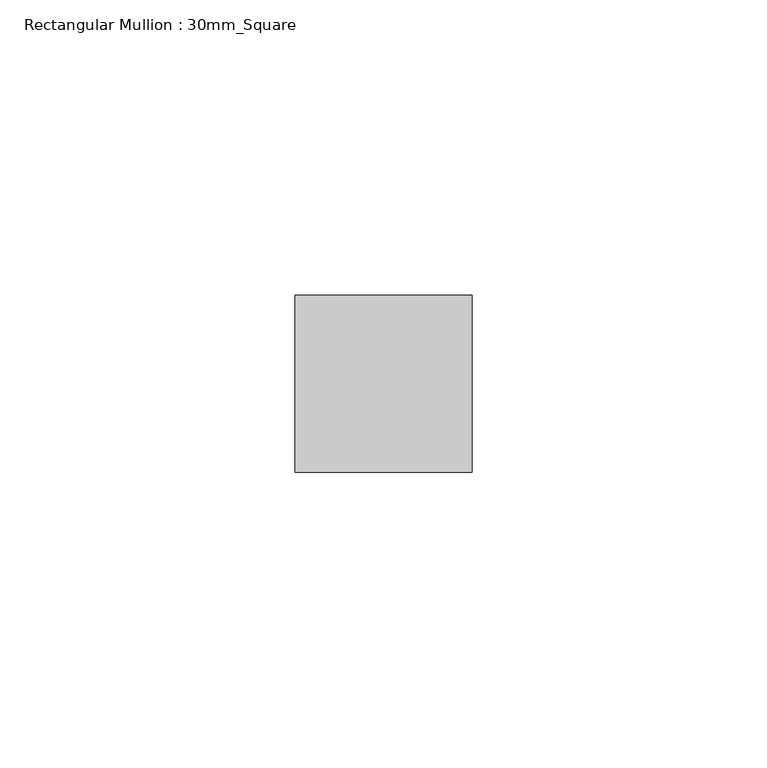
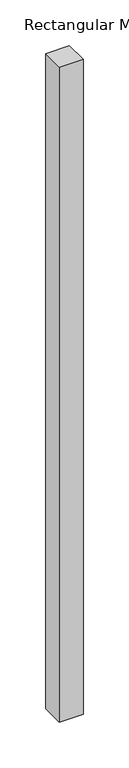
"""IFC4 building model written with IfcOpenShell, lengths in millimetres: member geometry, Rectangular Mullion : 30mm_Square."""

from ifc_helpers import new_model, si_unit, frame, origin, place, context, project, spatial, polyline, outline, extrude, source, transform, mapped, element, save


def rectangular_mullion_30mm_square_91de9fc3(model_context):
    return source(origin(), model_context, "Body", "SweptSolid", [
        extrude(outline(polyline([(15.0, 15.0), (15.0, -15.0), (-15.0, -15.0), (-15.0, 15.0), (15.0, 15.0)])), frame((0.0, 0.0, -875.0), z_axis=(0.0, 0.0, 1.0), x_axis=(1.0, 0.0, 0.0)), (0.0, 0.0, 1.0), 875.0),
    ])


if __name__ == "__main__":
    model = new_model("IFC4")
    model_context = context("Model", 3, world=origin())
    ifc_project = project(units=[si_unit("LENGTHUNIT", "METRE", prefix="MILLI")], contexts=[model_context])
    site = spatial("IfcSite", under=ifc_project)
    building = spatial("IfcBuilding", under=site)
    placement = place(None, origin())
    rectangular_mullion_30mm_square_shape = rectangular_mullion_30mm_square_91de9fc3(model_context)
    element("IfcMember", 1, ObjectType="Rectangular Mullion : 30mm_Square", at=placement, inside=building, context=model_context, shape_type="MappedRepresentation", body=[
        mapped(rectangular_mullion_30mm_square_shape, transform((0.0, 0.0, 0.0), x_axis=(1.0, 0.0, 0.0), y_axis=(0.0, 1.0, 0.0), z_axis=(0.0, 0.0, 1.0))),
    ])
    save(model, "model.ifc")
